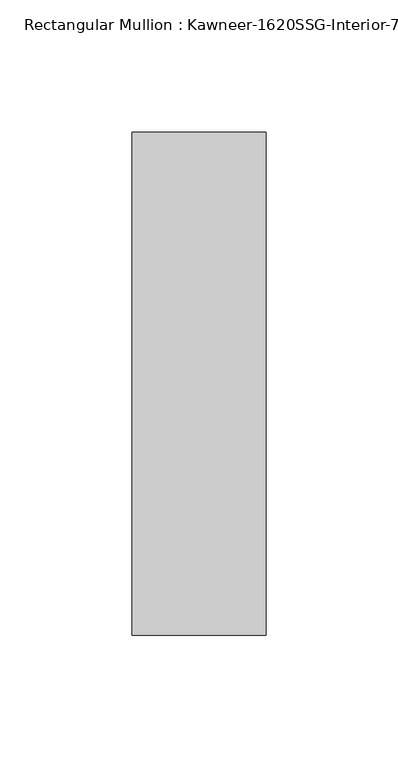
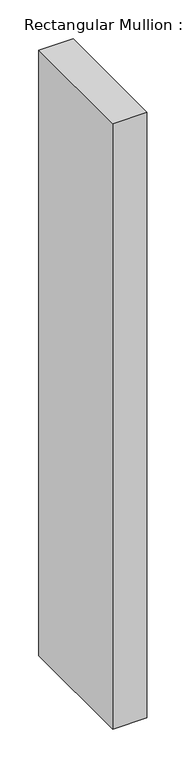
"""IFC4 building model written with IfcOpenShell, lengths in millimetres: member geometry."""

import ifcopenshell
import ifcopenshell.guid

model = None  # the IFC model being written
_history = None  # IfcOwnerHistory: only IFC2X3 demands one
_inside = {}  # id of a spatial element -> (the spatial element, [elements in it])
_under = {}  # id of a project, library or spatial element -> (it, [spatial elements below it])
_declared = {}  # id of a project -> (the project, [libraries it declares])
_typed = {}  # id of a type object -> (the type object, [elements of that type])
_made_of = {}  # id of a material, layer set ... -> (it, [elements and type objects made of it])


def new_model(schema):
    """Start an empty IFC model of exactly this schema.

    Asked for "IFC4X3", IfcOpenShell would pick the latest addendum, in which some entities
    have other attributes; the version numbers below select the first issue.
    IFC2X3 requires an IfcOwnerHistory on every rooted entity: one is made here for all.
    """
    global model, _history
    if schema == "IFC4X3":
        model = ifcopenshell.file(schema_version=(4, 3, 0, 0))
    else:
        model = ifcopenshell.file(schema=schema)
    _inside.clear()
    _under.clear()
    _declared.clear()
    _typed.clear()
    _made_of.clear()
    _history = None
    if model.schema == "IFC2X3":
        org = make("IfcOrganization", Name="unknown")
        user = make(
            "IfcPersonAndOrganization",
            ThePerson=make("IfcPerson", FamilyName="unknown"),
            TheOrganization=org,
        )
        app = make(
            "IfcApplication",
            ApplicationDeveloper=org,
            Version="unknown",
            ApplicationFullName="unknown",
            ApplicationIdentifier="unknown",
        )
        _history = make(
            "IfcOwnerHistory",
            OwningUser=user,
            OwningApplication=app,
            ChangeAction="ADDED",
            CreationDate=0,
        )
    return model


def make(cls, **values):
    """One entity of the class cls with the attributes given. An attribute that is None is left unset."""
    return model.create_entity(
        cls, **{name: value for name, value in values.items() if value is not None}
    )


def rooted(cls, **values):
    """An entity with a GlobalId (a new one), such as an element, a storey or a relation."""
    return make(cls, GlobalId=ifcopenshell.guid.new(), OwnerHistory=_history, **values)


def si_unit(unit_type, name, prefix=None):
    """IfcSIUnit, for example si_unit("LENGTHUNIT", "METRE", prefix="MILLI")."""
    return make("IfcSIUnit", UnitType=unit_type, Prefix=prefix, Name=name)


def assignment(units):
    """IfcUnitAssignment: the units of a project."""
    return None if units is None else make("IfcUnitAssignment", Units=units)


def point(xyz):
    """IfcCartesianPoint."""
    return None if xyz is None else make("IfcCartesianPoint", Coordinates=xyz)


def direction(xyz):
    """IfcDirection."""
    return None if xyz is None else make("IfcDirection", DirectionRatios=xyz)


def frame(location, z_axis=None, x_axis=None):
    """IfcAxis2Placement3D, a coordinate frame: its origin and axes. An axis left out is left unset."""
    return make(
        "IfcAxis2Placement3D",
        Location=point(location),
        Axis=direction(z_axis),
        RefDirection=direction(x_axis),
    )


def origin():
    """The frame at (0, 0, 0) with its axes left unset."""
    return frame((0.0, 0.0, 0.0))


def place(relative_to, where):
    """IfcLocalPlacement: puts the frame where relative to a parent placement (None: the world)."""
    return make(
        "IfcLocalPlacement", PlacementRelTo=relative_to, RelativePlacement=where
    )


def context(
    kind, dimensions, precision=None, world=None, true_north=None, identifier=None
):
    """IfcGeometricRepresentationContext, for example the 3D "Model" context."""
    return make(
        "IfcGeometricRepresentationContext",
        ContextIdentifier=identifier,
        ContextType=kind,
        CoordinateSpaceDimension=dimensions,
        Precision=precision,
        WorldCoordinateSystem=world,
        TrueNorth=true_north,
    )


def project(units=None, contexts=None):
    """IfcProject with its units and contexts."""
    return rooted(
        "IfcProject",
        Name="project",
        RepresentationContexts=contexts,
        UnitsInContext=assignment(units),
    )


def spatial(cls, under=None, at=None, **own):
    """A site, building, storey or space (cls), placed at a placement, below another one or the project."""
    s = rooted(cls, ObjectPlacement=at, **own)
    if under is not None:
        _under.setdefault(under.id(), (under, []))[1].append(s)
    return s


def polyline(points):
    """IfcPolyline through the points."""
    return make("IfcPolyline", Points=[point(p) for p in points])


def outline(outer, holes=None, kind="AREA"):
    """IfcArbitraryClosedProfileDef: a profile drawn as a closed curve; with holes, ...WithVoids."""
    if holes is None:
        return make("IfcArbitraryClosedProfileDef", ProfileType=kind, OuterCurve=outer)
    return make(
        "IfcArbitraryProfileDefWithVoids",
        ProfileType=kind,
        OuterCurve=outer,
        InnerCurves=holes,
    )


def extrude(swept, where, along, depth):
    """IfcExtrudedAreaSolid: the profile swept, set in the frame where, extruded along a direction by depth."""
    return make(
        "IfcExtrudedAreaSolid",
        SweptArea=swept,
        Position=where,
        ExtrudedDirection=direction(along),
        Depth=depth,
    )


def shape(context_of_items, identifier, shape_type, items):
    """IfcShapeRepresentation: the items that make up one representation, for example the "Body"."""
    return make(
        "IfcShapeRepresentation",
        ContextOfItems=context_of_items,
        RepresentationIdentifier=identifier,
        RepresentationType=shape_type,
        Items=items,
    )


def source(mapping_origin, context_of_items, identifier, shape_type, items):
    """IfcRepresentationMap: a shape defined once, which mapped items show again and again."""
    return make(
        "IfcRepresentationMap",
        MappingOrigin=mapping_origin,
        MappedRepresentation=shape(context_of_items, identifier, shape_type, items),
    )


def transform(
    local_origin,
    x_axis=None,
    y_axis=None,
    z_axis=None,
    scale=None,
    scale2=None,
    scale3=None,
    uniform=True,
):
    """IfcCartesianTransformationOperator3D, or its non-uniform kind. x_axis, y_axis, z_axis: its Axis1, 2, 3."""
    if uniform:
        return make(
            "IfcCartesianTransformationOperator3D",
            Axis1=direction(x_axis),
            Axis2=direction(y_axis),
            LocalOrigin=point(local_origin),
            Scale=scale,
            Axis3=direction(z_axis),
        )
    return make(
        "IfcCartesianTransformationOperator3DnonUniform",
        Axis1=direction(x_axis),
        Axis2=direction(y_axis),
        LocalOrigin=point(local_origin),
        Scale=scale,
        Axis3=direction(z_axis),
        Scale2=scale2,
        Scale3=scale3,
    )


def mapped(mapping_source, mapping_target):
    """IfcMappedItem: shows the shape of a source again, moved by a transform."""
    return make(
        "IfcMappedItem", MappingSource=mapping_source, MappingTarget=mapping_target
    )


def made_of(thing, what):
    """Note that an element or type object is made of a material, layer set ...; save() writes the relation."""
    if what is not None:
        _made_of.setdefault(what.id(), (what, []))[1].append(thing)
    return thing


def element(
    cls,
    number,
    at=None,
    inside=None,
    cuts=None,
    type_object=None,
    material=None,
    context=None,
    identifier="Body",
    shape_type=None,
    held_by="IfcProductDefinitionShape",
    body=None,
    shapes=None,
    **own,
):
    """One element of the class cls, such as IfcWall. Its Tag is "e" and its number.

    at: its placement. inside: the storey or other place that contains it. cuts: it is an
    opening in that element (IfcRelVoidsElement). A single representation is given by context,
    identifier, shape_type and body (its items); several are given by shapes. held_by: the class
    of the entity that holds the representations. save() writes the other relations.
    """
    e = rooted(cls, Tag="e%d" % number, ObjectPlacement=at, **own)
    if body is not None:
        shapes = [shape(context, identifier, shape_type, body)]
    if shapes is not None:
        e.Representation = make(held_by, Representations=shapes)
    if inside is not None:
        _inside.setdefault(inside.id(), (inside, []))[1].append(e)
    if cuts is not None:
        rooted(
            "IfcRelVoidsElement", RelatingBuildingElement=cuts, RelatedOpeningElement=e
        )
    if type_object is not None:
        _typed.setdefault(type_object.id(), (type_object, []))[1].append(e)
    return made_of(e, material)


def aggregate(whole, parts):
    """IfcRelAggregates: a whole, such as a stair, and the parts it consists of."""
    return rooted("IfcRelAggregates", RelatingObject=whole, RelatedObjects=parts)


def save(model, path):
    """Write the relations noted so far, then the file.

    IfcRelAggregates (storeys below a building ...), IfcRelContainedInSpatialStructure (elements
    in a storey), IfcRelDefinesByType, IfcRelAssociatesMaterial and IfcRelDeclares: one each for
    every whole, place, type object, material and project.
    """
    for whole, parts in _under.values():
        aggregate(whole, parts)
    for where, things in _inside.values():
        rooted(
            "IfcRelContainedInSpatialStructure",
            RelatedElements=things,
            RelatingStructure=where,
        )
    for kind, things in _typed.values():
        rooted("IfcRelDefinesByType", RelatedObjects=things, RelatingType=kind)
    for what, things in _made_of.values():
        rooted("IfcRelAssociatesMaterial", RelatedObjects=things, RelatingMaterial=what)
    for by, libraries in _declared.values():
        rooted("IfcRelDeclares", RelatingContext=by, RelatedDefinitions=libraries)
    model.write(path)


def member_28f6a039(model_context):
    return source(origin(), model_context, "Body", "SweptSolid", [
        extrude(outline(polyline([(25.4, -152.4), (-25.4, -152.4), (-25.4, 38.1), (25.4, 38.1), (25.4, -152.4)])), frame((0.0, 0.0, -951.6317631), z_axis=(0.0, 0.0, 1.0), x_axis=(1.0, 0.0, 0.0)), (0.0, 0.0, 1.0), 951.6317631),
    ])


if __name__ == "__main__":
    model = new_model("IFC4")
    model_context = context("Model", 3, world=origin())
    ifc_project = project(units=[si_unit("LENGTHUNIT", "METRE", prefix="MILLI")], contexts=[model_context])
    site = spatial("IfcSite", under=ifc_project)
    building = spatial("IfcBuilding", under=site)
    placement = place(None, origin())
    member_shape = member_28f6a039(model_context)
    element("IfcMember", 1, ObjectType="Rectangular Mullion : Kawneer-1620SSG-Interior-7.5\"-1\"Infill", at=placement, inside=building, context=model_context, shape_type="MappedRepresentation", body=[
        mapped(member_shape, transform((0.0, 0.0, 0.0), x_axis=(1.0, 0.0, 0.0), y_axis=(0.0, 1.0, 0.0), z_axis=(0.0, 0.0, 1.0))),
    ])
    save(model, "model.ifc")
